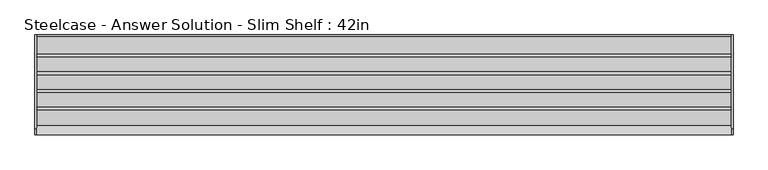
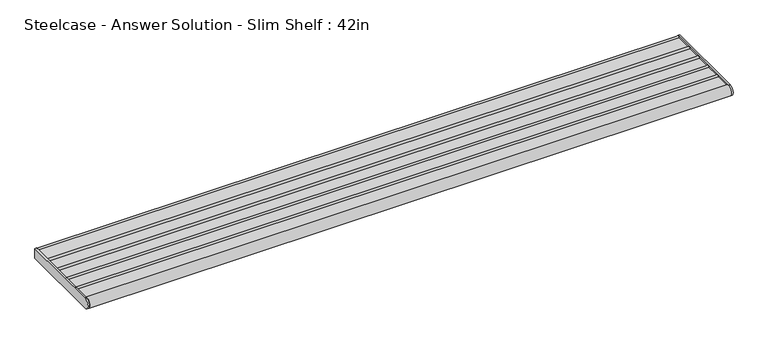
"""IFC4 building model written with IfcOpenShell, lengths in millimetres: furniture geometry, Steelcase - Answer Solution - Slim Shelf : 42in."""

from ifc_helpers import new_model, si_unit, point, frame, frame_2d, origin, place, context, project, spatial, polyline, circle_curve, trimmed, segment, composite_curve, outline, extrude, source, transform, mapped, element, save


def steelcase_answer_solution_slim_shelf_42in_64db3956(model_context):
    return source(origin(), model_context, "Body", "SweptSolid", [
        extrude(outline(composite_curve([segment(polyline([(-29.2099994, 928.482716), (-2.2859999, 928.482716)]), True, "CONTINUOUS"), segment(trimmed(circle_curve(frame_2d((1e-07, 928.482716)), 2.2860001), [point((-2.2859999, 928.482716))], [point((0.0, 930.7687161))], False, "CARTESIAN"), True, "CONTINUOUS"), segment(polyline([(0.0, 930.7687161), (0.0, 914.4), (-143.9753135, 914.4)]), True, "CONTINUOUS"), segment(trimmed(circle_curve(frame_2d((-143.9753135, 922.8328065)), 8.4328065), [point((-143.9753135, 914.4))], [point((-137.7150621, 928.482716))], False, "CARTESIAN"), True, "CONTINUOUS"), segment(polyline([(-137.7150621, 928.482716), (-114.7063978, 928.482716)]), True, "CONTINUOUS"), segment(trimmed(circle_curve(frame_2d((-112.4204, 928.482716)), 2.2859978), [point((-114.7063978, 928.482716))], [point((-110.1344022, 928.482716))], False, "CARTESIAN"), True, "CONTINUOUS"), segment(polyline([(-110.1344022, 928.482716), (-87.7315999, 928.482716)]), True, "CONTINUOUS"), segment(trimmed(circle_curve(frame_2d((-85.4456021, 928.482716)), 2.2859978), [point((-87.7315999, 928.482716))], [point((-83.1596043, 928.482716))], False, "CARTESIAN"), True, "CONTINUOUS"), segment(polyline([(-83.1596043, 928.482716), (-60.756802, 928.482716)]), True, "CONTINUOUS"), segment(trimmed(circle_curve(frame_2d((-58.4708019, 928.482716)), 2.2860001), [point((-60.756802, 928.482716))], [point((-56.1848018, 928.482716))], False, "CARTESIAN"), True, "CONTINUOUS"), segment(polyline([(-56.1848018, 928.482716), (-33.7819996, 928.482716)]), True, "CONTINUOUS"), segment(trimmed(circle_curve(frame_2d((-31.4959995, 928.482716)), 2.2860001), [point((-33.7819996, 928.482716))], [point((-29.2099994, 928.482716))], False, "CARTESIAN"), True, "CONTINUOUS")], self_intersect=False)), frame((2.7431999, 0.0, 0.0), z_axis=(1.0, 0.0, 0.0), x_axis=(0.0, 1.0, 0.0)), (0.0, 0.0, 1.0), 1061.2120001),
        extrude(outline(composite_curve([segment(polyline([(-143.9753135, 931.265613), (0.0, 931.265613), (0.0, 914.4), (-143.9753135, 914.4)]), True, "CONTINUOUS"), segment(trimmed(circle_curve(frame_2d((-143.9753135, 922.8328065)), 8.4328065), [point((-143.9753135, 914.4))], [point((-143.9753135, 931.265613))], False, "CARTESIAN"), True, "CONTINUOUS")], self_intersect=False)), frame((1063.9552, 0.0, 0.0), z_axis=(1.0, 0.0, 0.0), x_axis=(0.0, 1.0, 0.0)), (0.0, 0.0, 1.0), 2.8448),
        extrude(outline(composite_curve([segment(polyline([(-143.9753135, 931.265613), (0.0, 931.265613), (0.0, 914.4), (-143.9753135, 914.4)]), True, "CONTINUOUS"), segment(trimmed(circle_curve(frame_2d((-143.9753135, 922.8328065)), 8.4328065), [point((-143.9753135, 914.4))], [point((-143.9753135, 931.265613))], False, "CARTESIAN"), True, "CONTINUOUS")], self_intersect=False)), frame((0.0, 0.0, 0.0), z_axis=(1.0, 0.0, 0.0), x_axis=(0.0, 1.0, 0.0)), (0.0, 0.0, 1.0), 2.7431999),
    ])


if __name__ == "__main__":
    model = new_model("IFC4")
    model_context = context("Model", 3, world=origin())
    ifc_project = project(units=[si_unit("LENGTHUNIT", "METRE", prefix="MILLI")], contexts=[model_context])
    site = spatial("IfcSite", under=ifc_project)
    building = spatial("IfcBuilding", under=site)
    placement = place(None, origin())
    steelcase_answer_solution_slim_shelf_42in_shape = steelcase_answer_solution_slim_shelf_42in_64db3956(model_context)
    element("IfcFurniture", 1, ObjectType="Steelcase - Answer Solution - Slim Shelf : 42in", at=placement, inside=building, context=model_context, shape_type="MappedRepresentation", body=[
        mapped(steelcase_answer_solution_slim_shelf_42in_shape, transform((0.0, 0.0, 0.0), x_axis=(1.0, 0.0, 0.0), y_axis=(0.0, 1.0, 0.0), z_axis=(0.0, 0.0, 1.0))),
    ])
    save(model, "model.ifc")
